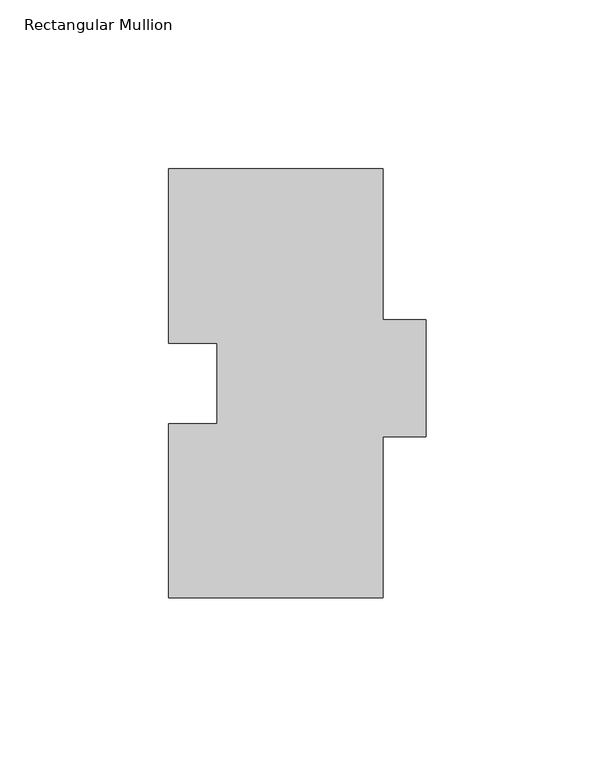
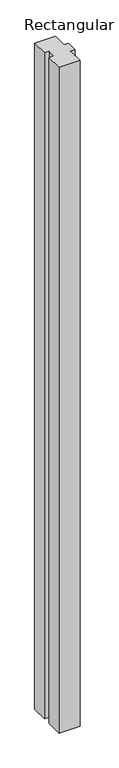
"""IFC4 building model written with IfcOpenShell, lengths in millimetres: member geometry, Rectangular Mullion."""

from ifc_helpers import new_model, si_unit, frame, origin, place, context, project, spatial, polyline, outline, extrude, source, transform, mapped, element, save


def rectangular_mullion_2422017d(model_context):
    return source(origin(), model_context, "Body", "SweptSolid", [
        extrude(outline(polyline([(-31.75, 127.0), (31.75, 127.0), (31.75, 82.296), (44.45, 82.296), (44.45, 47.625), (31.75, 47.625), (31.75, 0.0), (-31.75, 0.0), (-31.75, 51.6001), (-17.4498, 51.6001), (-17.4498, 75.3999), (-31.75, 75.3999), (-31.75, 127.0)])), frame((0.0, 0.0, -2133.6), z_axis=(0.0, 0.0, 1.0), x_axis=(1.0, 0.0, 0.0)), (0.0, 0.0, 1.0), 2133.6),
    ])


if __name__ == "__main__":
    model = new_model("IFC4")
    model_context = context("Model", 3, world=origin())
    ifc_project = project(units=[si_unit("LENGTHUNIT", "METRE", prefix="MILLI")], contexts=[model_context])
    site = spatial("IfcSite", under=ifc_project)
    building = spatial("IfcBuilding", under=site)
    placement = place(None, origin())
    rectangular_mullion_shape = rectangular_mullion_2422017d(model_context)
    element("IfcMember", 1, ObjectType="Rectangular Mullion", at=placement, inside=building, context=model_context, shape_type="MappedRepresentation", body=[
        mapped(rectangular_mullion_shape, transform((0.0, 0.0, 0.0), x_axis=(1.0, 0.0, 0.0), y_axis=(0.0, 1.0, 0.0), z_axis=(0.0, 0.0, 1.0))),
    ])
    save(model, "model.ifc")
